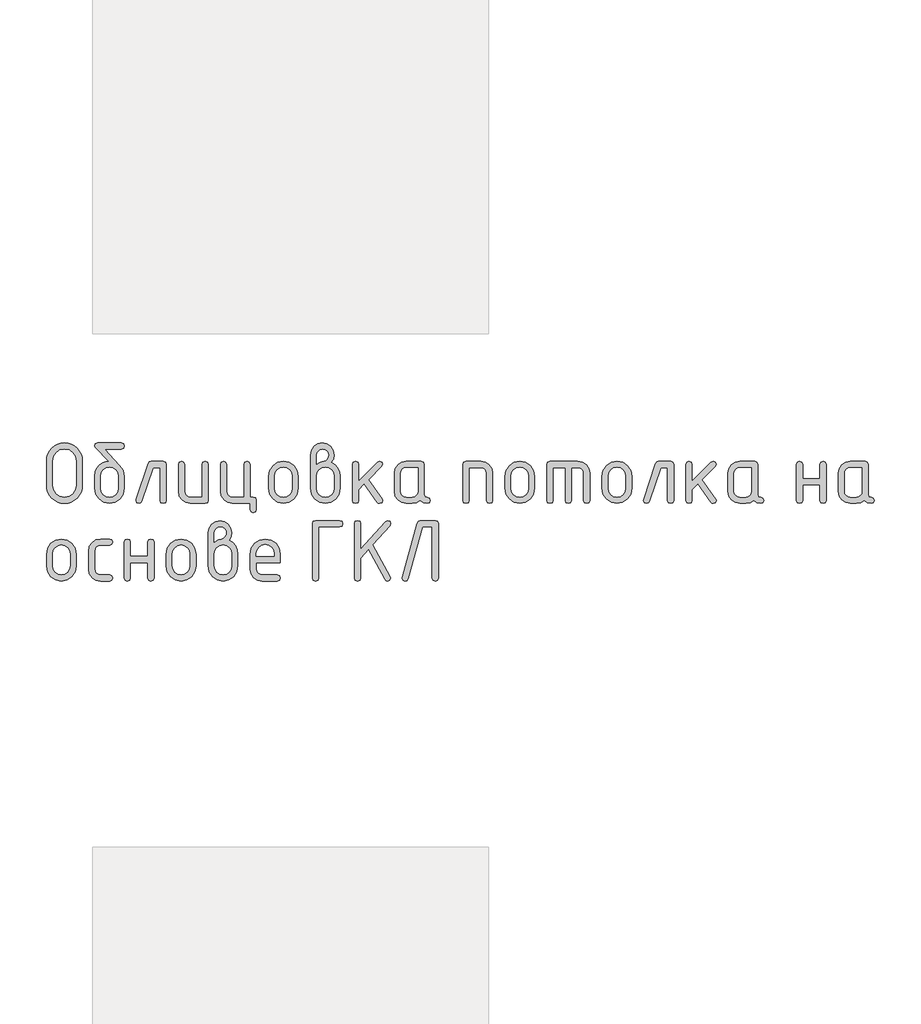
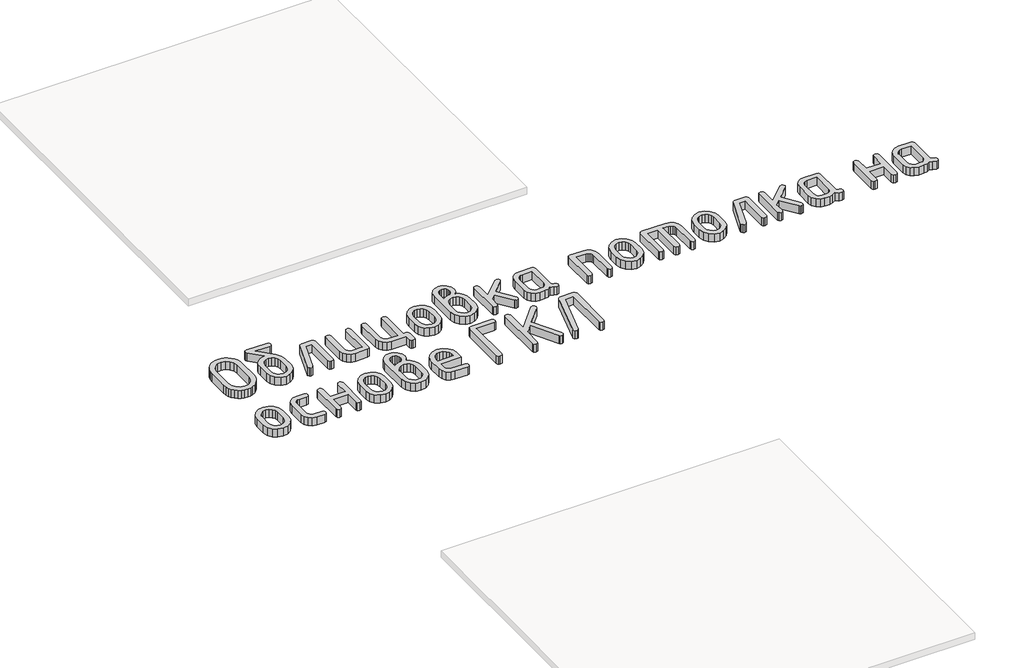
# One storey, part 26 of 33: 1 proxy.
"""IFC4 building model written with IfcOpenShell, lengths in millimetres."""

from ifc_helpers import new_model, si_unit, origin, origin_with_axes, place, context, project, spatial, polyline, outline, extrude, element, save

model = new_model("IFC4")

# Units and contexts
model_context = context("Model", 3, world=origin())
ifc_project = project(units=[si_unit("LENGTHUNIT", "METRE", prefix="MILLI")], contexts=[model_context])

# Site, building, storey
site = spatial("IfcSite", under=ifc_project)
building = spatial("IfcBuilding", under=site)
storey = spatial("IfcBuildingStorey", under=building, Elevation=0.0)

# Proxy
placement = place(None, origin())
element("IfcBuildingElementProxy", 1, Name="Generic Models", at=placement, inside=storey, context=model_context, shape_type="SweptSolid", body=[
    extrude(outline(polyline([(14447.5187326, 7642.3132523), (14445.8643368, 7624.0795908), (14440.9011492, 7607.2279551), (14432.62917, 7591.7583452), (14421.0483991, 7577.6707611), (14407.1272634, 7565.9487613), (14391.8341896, 7557.5759043), (14375.1691779, 7552.5521901), (14357.1322281, 7550.8776187), (14339.0952783, 7552.5521901), (14322.4302665, 7557.5759043), (14307.1371928, 7565.9487613), (14293.216057, 7577.6707611), (14281.6352861, 7591.7583452), (14273.3633069, 7607.2279551), (14268.4001194, 7624.0795908), (14266.7457235, 7642.3132523), (14266.7457235, 7764.173629), (14268.4001194, 7782.4072905), (14273.3633069, 7799.2589262), (14281.6352861, 7814.7285361), (14293.216057, 7828.8161202), (14307.1371928, 7840.53812), (14322.4302665, 7848.910977), (14339.0952783, 7853.9346912), (14357.1322281, 7855.6092626), (14375.2675337, 7853.942257), (14391.9855063, 7848.9412403), (14407.2861459, 7840.6062125), (14421.1694525, 7828.9371735), (14432.6972625, 7814.8874186), (14440.9314126, 7799.4102428), (14445.8719026, 7782.5056463), (14447.5187326, 7764.173629), (14447.5187326, 7642.3132523)]), holes=[polyline([(14416.5290739, 7642.555359), (14416.5290739, 7763.9315223), (14412.2215921, 7787.4562241), (14399.2991465, 7807.0265164), (14380.1424532, 7820.221332), (14357.1322281, 7824.6196039), (14334.122003, 7820.221332), (14314.9653097, 7807.0265164), (14302.0428641, 7787.4562241), (14297.7353822, 7763.9315223), (14297.7353822, 7642.555359), (14302.0428641, 7619.0306572), (14314.9653097, 7599.4603649), (14334.122003, 7586.2655493), (14357.1322281, 7581.8672774), (14380.1424532, 7586.2655493), (14399.2991465, 7599.4603649), (14412.2215921, 7619.0306572), (14416.5290739, 7642.555359)])]), origin_with_axes(), (0.0, 0.0, 1.0), 50.0),
    extrude(outline(polyline([(14659.2814004, 7687.7486113), (14659.2814004, 7626.8991252), (14653.8037361, 7597.6748279), (14637.3707433, 7573.1110848), (14613.1701602, 7556.4359852), (14584.3897252, 7550.8776187), (14555.6092902, 7556.446073), (14531.4087071, 7573.1514359), (14514.9757143, 7597.7656179), (14509.49805, 7627.0605297), (14509.49805, 7687.990718), (14512.0906094, 7709.4222056), (14519.8682874, 7727.797096), (14532.8310841, 7743.1153892), (14550.9789994, 7755.3770852), (14566.6957599, 7761.974493), (14581.242338, 7764.173629), (14514.6629931, 7831.156485), (14509.49805, 7840.1144332), (14513.2305284, 7851.7355552), (14524.4279637, 7855.6092626), (14644.3514867, 7855.6092626), (14655.548922, 7851.7355552), (14659.2814004, 7840.1144332), (14655.548922, 7828.4933112), (14644.3514867, 7824.6196039), (14559.372032, 7824.6196039), (14634.7479206, 7744.2401766), (14653.1480304, 7716.9628208), (14659.2814004, 7687.7486113)]), holes=[polyline([(14628.2917417, 7627.3833386), (14628.2917417, 7687.990718), (14625.07374, 7705.422401), (14615.419735, 7720.110208), (14601.2262292, 7730.0971097), (14584.3897252, 7733.426077), (14567.5532212, 7730.0971097), (14553.3597154, 7720.110208), (14543.7057104, 7705.422401), (14540.4877087, 7687.990718), (14540.4877087, 7627.3833386), (14543.675447, 7609.7902511), (14553.238662, 7595.1024441), (14567.4019045, 7585.1760691), (14584.3897252, 7581.8672774), (14601.2262292, 7585.1962446), (14615.419735, 7595.1831464), (14625.07374, 7609.8911289), (14628.2917417, 7627.3833386)])]), origin_with_axes(), (0.0, 0.0, 1.0), 50.0),
    extrude(outline(polyline([(14794.6190505, 7762.6402865), (14855.5492388, 7762.6402865), (14867.1703608, 7758.8674569), (14871.0440682, 7747.5489683), (14871.0440682, 7565.9689369), (14867.1703608, 7554.6504482), (14855.5492388, 7550.8776187), (14843.9281168, 7554.6504482), (14840.0544095, 7565.9689369), (14840.0544095, 7731.6506278), (14805.4331501, 7731.6506278), (14748.2959669, 7561.1268027), (14742.9897949, 7553.4399147), (14734.0116711, 7550.8776187), (14722.6326558, 7554.7109749), (14718.8396507, 7566.2110436), (14719.5659708, 7570.811071), (14779.4470301, 7750.2928443), (14785.3382933, 7759.5534259), (14794.6190505, 7762.6402865)])), origin_with_axes(), (0.0, 0.0, 1.0), 50.0),
    extrude(outline(polyline([(15082.8067359, 7747.5489683), (15082.8067359, 7565.9689369), (15079.054082, 7554.6504482), (15067.79612, 7550.8776187), (14992.9044448, 7550.8776187), (14969.6823764, 7555.255715), (14950.3743663, 7568.390004), (14937.3611308, 7587.8997696), (14933.0233856, 7611.4042958), (14933.0233856, 7747.5489683), (14936.8970929, 7758.8674569), (14948.5182149, 7762.6402865), (14960.1393369, 7758.8674569), (14964.0130443, 7747.5489683), (14964.0130443, 7611.9692115), (14966.1718291, 7600.5397573), (14972.6481835, 7590.7848745), (14982.1306963, 7584.0966767), (14993.307956, 7581.8672774), (15051.8170772, 7581.8672774), (15051.8170772, 7747.5489683), (15055.6907846, 7758.8674569), (15067.3119066, 7762.6402865), (15078.9330286, 7758.8674569), (15082.8067359, 7747.5489683)])), origin_with_axes(), (0.0, 0.0, 1.0), 50.0),
    extrude(outline(polyline([(15310.0642331, 7581.8672774), (15321.6853551, 7577.9935701), (15325.5590624, 7566.3724481), (15325.5590624, 7519.88796), (15321.6853551, 7508.266838), (15310.0642331, 7504.3931307), (15298.4431111, 7508.266838), (15294.5694037, 7519.88796), (15294.5694037, 7550.8776187), (15204.6671126, 7550.8776187), (15181.4450441, 7555.2859784), (15162.1370341, 7568.5110573), (15149.1237985, 7588.0510862), (15144.7860533, 7611.4042958), (15144.7860533, 7747.5489683), (15148.6597607, 7758.8674569), (15160.2808827, 7762.6402865), (15171.9020047, 7758.8674569), (15175.775712, 7747.5489683), (15175.775712, 7611.9692115), (15177.9344969, 7600.5397573), (15184.4108513, 7590.7848745), (15193.8933641, 7584.0966767), (15205.0706238, 7581.8672774), (15263.579745, 7581.8672774), (15263.579745, 7747.5489683), (15267.4534524, 7758.8674569), (15279.0745744, 7762.6402865), (15290.6956964, 7758.8674569), (15294.5694037, 7747.5489683), (15294.5694037, 7581.8672774), (15310.0642331, 7581.8672774)])), origin_with_axes(), (0.0, 0.0, 1.0), 50.0),
    extrude(outline(polyline([(15387.5383798, 7626.495614), (15387.5383798, 7687.0222912), (15393.0160441, 7716.0952718), (15409.4490369, 7740.5278738), (15433.64962, 7757.1121833), (15462.430055, 7762.6402865), (15491.5131234, 7757.17271), (15515.6531798, 7740.7699805), (15531.9045926, 7716.3979051), (15537.3217302, 7687.0222912), (15537.3217302, 7626.495614), (15531.8440659, 7597.4226334), (15515.4110731, 7572.9900314), (15491.21049, 7556.4057219), (15462.430055, 7550.8776187), (15433.64962, 7556.4057219), (15409.4490369, 7572.9900314), (15393.0160441, 7597.4226334), (15387.5383798, 7626.495614)]), holes=[polyline([(15506.3320715, 7627.3833386), (15506.3320715, 7687.990718), (15503.1140698, 7705.422401), (15493.4600648, 7720.110208), (15479.266559, 7730.0971097), (15462.430055, 7733.426077), (15445.593551, 7730.0971097), (15431.4000452, 7720.110208), (15421.7460402, 7705.422401), (15418.5280385, 7687.990718), (15418.5280385, 7627.3833386), (15421.7157768, 7609.7902511), (15431.2789918, 7595.1024441), (15445.4422343, 7585.1760691), (15462.430055, 7581.8672774), (15479.266559, 7585.1962446), (15493.4600648, 7595.1831464), (15503.1140698, 7609.8911289), (15506.3320715, 7627.3833386)])]), origin_with_axes(), (0.0, 0.0, 1.0), 50.0),
    extrude(outline(polyline([(15704.1332524, 7757.9595568), (15722.6645034, 7746.5704537), (15736.9387114, 7729.9962319), (15746.0479763, 7709.9114629), (15749.084398, 7687.990718), (15749.084398, 7627.0605297), (15743.6067337, 7597.6143012), (15727.1737408, 7573.0303825), (15702.9731578, 7556.4158097), (15674.1927228, 7550.8776187), (15645.2609711, 7556.446073), (15621.0906514, 7573.1514359), (15604.7484485, 7597.7656179), (15599.3010476, 7627.0605297), (15599.3010476, 7794.6790742), (15603.628705, 7818.2844783), (15616.6116773, 7837.9354728), (15635.7885461, 7851.1908151), (15658.6978934, 7855.6092626), (15681.7081185, 7851.1605518), (15700.8648118, 7837.8144195), (15713.7872574, 7818.1331616), (15718.0947393, 7794.6790742), (15714.6043676, 7773.9587751), (15704.1332524, 7757.9595568)]), holes=[polyline([(15718.0947393, 7627.3833386), (15718.0947393, 7687.990718), (15714.9070009, 7705.422401), (15705.343786, 7720.110208), (15691.1805435, 7730.0971097), (15674.1927228, 7733.426077), (15657.2049021, 7730.0971097), (15643.0416596, 7720.110208), (15633.4784446, 7705.422401), (15630.2907063, 7687.990718), (15630.2907063, 7627.3833386), (15633.4784446, 7609.7902511), (15643.0416596, 7595.1024441), (15657.2049021, 7585.1760691), (15674.1927228, 7581.8672774), (15691.1805435, 7585.1962446), (15705.343786, 7595.1831464), (15714.9070009, 7609.8911289), (15718.0947393, 7627.3833386)]), polyline([(15630.2907063, 7747.8717773), (15648.7715184, 7759.1902659), (15665.6382857, 7762.9630954), (15674.7172873, 7765.6060937), (15683.0699688, 7773.5350884), (15688.9410564, 7783.4009367), (15690.8980857, 7793.3071362), (15688.7191253, 7805.1098383), (15682.1822442, 7814.8546333), (15672.4172736, 7821.3915144), (15660.5540449, 7823.5704748), (15648.9026595, 7821.3612511), (15639.1276012, 7814.7335799), (15632.49993, 7804.9585216), (15630.2907063, 7793.3071362), (15630.2907063, 7747.8717773)])]), origin_with_axes(), (0.0, 0.0, 1.0), 50.0),
    extrude(outline(polyline([(15842.0533741, 7663.2151315), (15937.2820128, 7758.2823657), (15948.0961124, 7762.6402865), (15959.4751277, 7758.8674569), (15963.2681328, 7747.5489683), (15958.6681054, 7736.9769754), (15892.0887605, 7670.4783327), (15960.2821501, 7574.6847784), (15963.2681328, 7565.8075324), (15959.4751277, 7554.6100971), (15948.0961124, 7550.8776187), (15940.9539645, 7552.4916634), (15935.5065636, 7557.3337976), (15870.2991567, 7648.9308357), (15842.0533741, 7620.685053), (15842.0533741, 7566.0496391), (15838.1796667, 7554.6706238), (15826.5585447, 7550.8776187), (15814.9374227, 7554.6504482), (15811.0637154, 7565.9689369), (15811.0637154, 7747.5489683), (15814.9374227, 7758.8674569), (15826.5585447, 7762.6402865), (15838.1796667, 7758.8674569), (15842.0533741, 7747.5489683), (15842.0533741, 7663.2151315)])), origin_with_axes(), (0.0, 0.0, 1.0), 50.0),
    extrude(outline(polyline([(16202.8730721, 7565.9689369), (16199.1002426, 7554.6504482), (16187.7817539, 7550.8776187), (16168.6351484, 7554.892555), (16153.3218991, 7566.9373637), (16134.9016137, 7554.892555), (16112.7286743, 7550.8776187), (16082.7074424, 7550.8776187), (16059.4853739, 7555.255715), (16040.1773639, 7568.390004), (16027.1641283, 7587.8997696), (16022.8263831, 7611.4042958), (16022.8263831, 7702.1136093), (16027.1641283, 7725.6181356), (16040.1773639, 7745.1279012), (16059.4853739, 7758.2621902), (16082.7074424, 7762.6402865), (16157.5991176, 7762.6402865), (16168.8570795, 7758.8674569), (16172.6097335, 7747.5489683), (16172.6097335, 7596.2322754), (16176.3926508, 7584.9137868), (16187.7414028, 7581.1409573), (16199.0901548, 7577.3479522), (16202.8730721, 7565.9689369)]), holes=[polyline([(16141.6200748, 7731.6506278), (16083.1109536, 7731.6506278), (16071.8328161, 7729.4615796), (16062.3704789, 7722.8944352), (16055.9546511, 7713.2202546), (16053.8160418, 7701.7100982), (16053.8160418, 7611.807807), (16055.9748267, 7600.3985284), (16062.4511811, 7590.7041723), (16071.9336939, 7584.0765011), (16083.1109536, 7581.8672774), (16112.3251631, 7581.8672774), (16123.6033006, 7584.0563256), (16133.0656378, 7590.62347), (16139.4814656, 7600.2976506), (16141.6200748, 7611.807807), (16141.6200748, 7731.6506278)])]), origin_with_axes(), (0.0, 0.0, 1.0), 50.0),
    extrude(outline(polyline([(16368.877572, 7565.9689369), (16368.877572, 7747.5489683), (16372.6302259, 7758.8674569), (16383.8881879, 7762.6402865), (16458.7798631, 7762.6402865), (16481.8506148, 7758.2319268), (16501.1888882, 7745.0068479), (16514.2929138, 7725.4668189), (16518.6609223, 7702.1136093), (16518.6609223, 7565.9689369), (16514.787215, 7554.6504482), (16503.166093, 7550.8776187), (16491.544971, 7554.6504482), (16487.6712636, 7565.9689369), (16487.6712636, 7701.5486937), (16485.5629177, 7713.2807813), (16479.23788, 7722.9751374), (16469.8058061, 7729.4817552), (16458.3763519, 7731.6506278), (16399.8672307, 7731.6506278), (16399.8672307, 7565.9689369), (16395.9935233, 7554.6504482), (16384.3724013, 7550.8776187), (16372.7512793, 7554.6504482), (16368.877572, 7565.9689369)])), origin_with_axes(), (0.0, 0.0, 1.0), 50.0),
    extrude(outline(polyline([(16580.6402397, 7626.495614), (16580.6402397, 7687.0222912), (16586.117904, 7716.0952718), (16602.5508969, 7740.5278738), (16626.7514799, 7757.1121833), (16655.5319149, 7762.6402865), (16684.6149833, 7757.17271), (16708.7550397, 7740.7699805), (16725.0064525, 7716.3979051), (16730.4235901, 7687.0222912), (16730.4235901, 7626.495614), (16724.9459258, 7597.4226334), (16708.512933, 7572.9900314), (16684.3123499, 7556.4057219), (16655.5319149, 7550.8776187), (16626.7514799, 7556.4057219), (16602.5508969, 7572.9900314), (16586.117904, 7597.4226334), (16580.6402397, 7626.495614)]), holes=[polyline([(16699.4339314, 7627.3833386), (16699.4339314, 7687.990718), (16696.2159297, 7705.422401), (16686.5619247, 7720.110208), (16672.3684189, 7730.0971097), (16655.5319149, 7733.426077), (16638.6954109, 7730.0971097), (16624.5019051, 7720.110208), (16614.8479001, 7705.422401), (16611.6298984, 7687.990718), (16611.6298984, 7627.3833386), (16614.8176368, 7609.7902511), (16624.3808517, 7595.1024441), (16638.5440942, 7585.1760691), (16655.5319149, 7581.8672774), (16672.3684189, 7585.1962446), (16686.5619247, 7595.1831464), (16696.2159297, 7609.8911289), (16699.4339314, 7627.3833386)])]), origin_with_axes(), (0.0, 0.0, 1.0), 50.0),
    extrude(outline(polyline([(16807.8977369, 7762.6402865), (16947.351201, 7762.6402865), (16971.2390629, 7758.2319268), (16991.2532175, 7745.0068479), (17004.8111932, 7725.4668189), (17009.3305184, 7702.1136093), (17009.3305184, 7565.9689369), (17005.4568111, 7554.6504482), (16993.8356891, 7550.8776187), (16982.214567, 7554.6504482), (16978.3408597, 7565.9689369), (16978.3408597, 7701.5486937), (16976.1114604, 7713.2807813), (16969.4232626, 7722.9751374), (16959.4464487, 7729.4817552), (16947.351201, 7731.6506278), (16916.3615423, 7731.6506278), (16916.3615423, 7565.9689369), (16912.487835, 7554.6504482), (16900.866713, 7550.8776187), (16889.2455909, 7554.6504482), (16885.3718836, 7565.9689369), (16885.3718836, 7731.6506278), (16823.3925662, 7731.6506278), (16823.3925662, 7565.9689369), (16819.5188589, 7554.6504482), (16807.8977369, 7550.8776187), (16796.2766148, 7554.6504482), (16792.4029075, 7565.9689369), (16792.4029075, 7747.5489683), (16796.2766148, 7758.8674569), (16807.8977369, 7762.6402865)])), origin_with_axes(), (0.0, 0.0, 1.0), 50.0),
    extrude(outline(polyline([(17071.3098358, 7626.495614), (17071.3098358, 7687.0222912), (17076.7875001, 7716.0952718), (17093.2204929, 7740.5278738), (17117.421076, 7757.1121833), (17146.201511, 7762.6402865), (17175.2845794, 7757.17271), (17199.4246358, 7740.7699805), (17215.6760486, 7716.3979051), (17221.0931862, 7687.0222912), (17221.0931862, 7626.495614), (17215.6155219, 7597.4226334), (17199.182529, 7572.9900314), (17174.981946, 7556.4057219), (17146.201511, 7550.8776187), (17117.421076, 7556.4057219), (17093.2204929, 7572.9900314), (17076.7875001, 7597.4226334), (17071.3098358, 7626.495614)]), holes=[polyline([(17190.1035275, 7627.3833386), (17190.1035275, 7687.990718), (17186.8855258, 7705.422401), (17177.2315208, 7720.110208), (17163.038015, 7730.0971097), (17146.201511, 7733.426077), (17129.365007, 7730.0971097), (17115.1715012, 7720.110208), (17105.5174962, 7705.422401), (17102.2994945, 7687.990718), (17102.2994945, 7627.3833386), (17105.4872328, 7609.7902511), (17115.0504478, 7595.1024441), (17129.2136903, 7585.1760691), (17146.201511, 7581.8672774), (17163.038015, 7585.1962446), (17177.2315208, 7595.1831464), (17186.8855258, 7609.8911289), (17190.1035275, 7627.3833386)])]), origin_with_axes(), (0.0, 0.0, 1.0), 50.0),
    extrude(outline(polyline([(17356.4308363, 7762.6402865), (17417.3610246, 7762.6402865), (17428.9821466, 7758.8674569), (17432.855854, 7747.5489683), (17432.855854, 7565.9689369), (17428.9821466, 7554.6504482), (17417.3610246, 7550.8776187), (17405.7399026, 7554.6504482), (17401.8661953, 7565.9689369), (17401.8661953, 7731.6506278), (17367.2449359, 7731.6506278), (17310.1077527, 7561.1268027), (17304.8015807, 7553.4399147), (17295.8234569, 7550.8776187), (17284.4444416, 7554.7109749), (17280.6514365, 7566.2110436), (17281.3777566, 7570.811071), (17341.2588159, 7750.2928443), (17347.1500791, 7759.5534259), (17356.4308363, 7762.6402865)])), origin_with_axes(), (0.0, 0.0, 1.0), 50.0),
    extrude(outline(polyline([(17525.82483, 7663.2151315), (17621.0534688, 7758.2823657), (17631.8675684, 7762.6402865), (17643.2465837, 7758.8674569), (17647.0395888, 7747.5489683), (17642.4395614, 7736.9769754), (17575.8602165, 7670.4783327), (17644.0536061, 7574.6847784), (17647.0395888, 7565.8075324), (17643.2465837, 7554.6100971), (17631.8675684, 7550.8776187), (17624.7254205, 7552.4916634), (17619.2780196, 7557.3337976), (17554.0706127, 7648.9308357), (17525.82483, 7620.685053), (17525.82483, 7566.0496391), (17521.9511227, 7554.6706238), (17510.3300007, 7550.8776187), (17498.7088787, 7554.6504482), (17494.8351714, 7565.9689369), (17494.8351714, 7747.5489683), (17498.7088787, 7758.8674569), (17510.3300007, 7762.6402865), (17521.9511227, 7758.8674569), (17525.82483, 7747.5489683), (17525.82483, 7663.2151315)])), origin_with_axes(), (0.0, 0.0, 1.0), 50.0),
    extrude(outline(polyline([(17886.6445281, 7565.9689369), (17882.8716985, 7554.6504482), (17871.5532099, 7550.8776187), (17852.4066044, 7554.892555), (17837.0933551, 7566.9373637), (17818.6730696, 7554.892555), (17796.5001302, 7550.8776187), (17766.4788984, 7550.8776187), (17743.2568299, 7555.255715), (17723.9488199, 7568.390004), (17710.9355843, 7587.8997696), (17706.5978391, 7611.4042958), (17706.5978391, 7702.1136093), (17710.9355843, 7725.6181356), (17723.9488199, 7745.1279012), (17743.2568299, 7758.2621902), (17766.4788984, 7762.6402865), (17841.3705736, 7762.6402865), (17852.6285355, 7758.8674569), (17856.3811895, 7747.5489683), (17856.3811895, 7596.2322754), (17860.1641068, 7584.9137868), (17871.5128588, 7581.1409573), (17882.8616108, 7577.3479522), (17886.6445281, 7565.9689369)]), holes=[polyline([(17825.3915308, 7731.6506278), (17766.8824096, 7731.6506278), (17755.6042721, 7729.4615796), (17746.1419349, 7722.8944352), (17739.7261071, 7713.2202546), (17737.5874978, 7701.7100982), (17737.5874978, 7611.807807), (17739.7462826, 7600.3985284), (17746.2226371, 7590.7041723), (17755.7051499, 7584.0765011), (17766.8824096, 7581.8672774), (17796.0966191, 7581.8672774), (17807.3747566, 7584.0563256), (17816.8370938, 7590.62347), (17823.2529215, 7600.2976506), (17825.3915308, 7611.807807), (17825.3915308, 7731.6506278)])]), origin_with_axes(), (0.0, 0.0, 1.0), 50.0),
    extrude(outline(polyline([(18083.6386866, 7643.8465948), (18083.6386866, 7566.3724481), (18079.7649793, 7554.751326), (18068.1438573, 7550.8776187), (18056.5227353, 7554.6504482), (18052.6490279, 7565.9689369), (18052.6490279, 7747.5489683), (18056.5227353, 7758.8674569), (18068.1438573, 7762.6402865), (18079.7649793, 7758.9885103), (18083.6386866, 7748.0331817), (18083.6386866, 7674.8362535), (18171.4427196, 7674.8362535), (18171.4427196, 7748.0331817), (18175.3164269, 7758.9885103), (18186.937549, 7762.6402865), (18198.558671, 7758.8674569), (18202.4323783, 7747.5489683), (18202.4323783, 7565.9689369), (18198.558671, 7554.6504482), (18186.937549, 7550.8776187), (18175.3164269, 7554.751326), (18171.4427196, 7566.3724481), (18171.4427196, 7643.8465948), (18083.6386866, 7643.8465948)])), origin_with_axes(), (0.0, 0.0, 1.0), 50.0),
    extrude(outline(polyline([(18444.4583847, 7565.9689369), (18440.6855551, 7554.6504482), (18429.3670665, 7550.8776187), (18410.220461, 7554.892555), (18394.9072116, 7566.9373637), (18376.4869262, 7554.892555), (18354.3139868, 7550.8776187), (18324.292755, 7550.8776187), (18301.0706865, 7555.255715), (18281.7626765, 7568.390004), (18268.7494409, 7587.8997696), (18264.4116957, 7611.4042958), (18264.4116957, 7702.1136093), (18268.7494409, 7725.6181356), (18281.7626765, 7745.1279012), (18301.0706865, 7758.2621902), (18324.292755, 7762.6402865), (18399.1844302, 7762.6402865), (18410.4423921, 7758.8674569), (18414.1950461, 7747.5489683), (18414.1950461, 7596.2322754), (18417.9779634, 7584.9137868), (18429.3267154, 7581.1409573), (18440.6754673, 7577.3479522), (18444.4583847, 7565.9689369)]), holes=[polyline([(18383.2053874, 7731.6506278), (18324.6962661, 7731.6506278), (18313.4181286, 7729.4615796), (18303.9557914, 7722.8944352), (18297.5399637, 7713.2202546), (18295.4013544, 7701.7100982), (18295.4013544, 7611.807807), (18297.5601392, 7600.3985284), (18304.0364937, 7590.7041723), (18313.5190064, 7584.0765011), (18324.6962661, 7581.8672774), (18353.9104756, 7581.8672774), (18365.1886132, 7584.0563256), (18374.6509504, 7590.62347), (18381.0667781, 7600.2976506), (18383.2053874, 7611.807807), (18383.2053874, 7731.6506278)])]), origin_with_axes(), (0.0, 0.0, 1.0), 50.0),
    extrude(outline(polyline([(14266.7457235, 7234.4471228), (14266.7457235, 7294.9738), (14272.2233878, 7324.0467806), (14288.6563807, 7348.4793826), (14312.8569637, 7365.0636921), (14341.6373987, 7370.5917953), (14370.7204671, 7365.1242188), (14394.8605235, 7348.7214893), (14411.1119363, 7324.349414), (14416.5290739, 7294.9738), (14416.5290739, 7234.4471228), (14411.0514096, 7205.3741422), (14394.6184168, 7180.9415402), (14370.4178337, 7164.3572307), (14341.6373987, 7158.8291275), (14312.8569637, 7164.3572307), (14288.6563807, 7180.9415402), (14272.2233878, 7205.3741422), (14266.7457235, 7234.4471228)]), holes=[polyline([(14385.5394152, 7235.3348474), (14385.5394152, 7295.9422268), (14382.3214135, 7313.3739098), (14372.6674085, 7328.0617168), (14358.4739028, 7338.0486185), (14341.6373987, 7341.3775858), (14324.8008947, 7338.0486185), (14310.6073889, 7328.0617168), (14300.9533839, 7313.3739098), (14297.7353822, 7295.9422268), (14297.7353822, 7235.3348474), (14300.9231206, 7217.7417599), (14310.4863356, 7203.053953), (14324.649578, 7193.1275779), (14341.6373987, 7189.8187862), (14358.4739028, 7193.1477535), (14372.6674085, 7203.1346552), (14382.3214135, 7217.8426377), (14385.5394152, 7235.3348474)])]), origin_with_axes(), (0.0, 0.0, 1.0), 50.0),
    extrude(outline(polyline([(14509.49805, 7309.661607), (14509.49805, 7219.7593158), (14511.7375371, 7208.3500372), (14518.4559982, 7198.6556811), (14528.2613199, 7192.0280099), (14539.7613886, 7189.8187862), (14585.2774498, 7189.8187862), (14596.5959384, 7185.9450789), (14600.368768, 7174.3239569), (14596.5959384, 7162.7028349), (14585.2774498, 7158.8291275), (14539.7613886, 7158.8291275), (14516.2165112, 7163.2072238), (14496.4242878, 7176.3415128), (14482.9873654, 7195.8512784), (14478.5083913, 7219.3558047), (14478.5083913, 7310.0651181), (14482.9873654, 7333.5696444), (14496.4242878, 7353.07941), (14516.2165112, 7366.213699), (14539.7613886, 7370.5917953), (14585.2774498, 7370.5917953), (14596.5959384, 7366.718088), (14600.368768, 7355.0969659), (14596.5959384, 7343.4758439), (14585.2774498, 7339.6021366), (14539.7613886, 7339.6021366), (14528.1100032, 7337.4130884), (14518.3349449, 7330.845944), (14511.7072737, 7321.1717634), (14509.49805, 7309.661607)])), origin_with_axes(), (0.0, 0.0, 1.0), 50.0),
    extrude(outline(polyline([(14690.2710591, 7251.7981036), (14690.2710591, 7174.3239569), (14686.3973518, 7162.7028349), (14674.7762297, 7158.8291275), (14663.1551077, 7162.6019571), (14659.2814004, 7173.9204457), (14659.2814004, 7355.5004771), (14663.1551077, 7366.8189658), (14674.7762297, 7370.5917953), (14686.3973518, 7366.9400191), (14690.2710591, 7355.9846905), (14690.2710591, 7282.7877623), (14778.0750921, 7282.7877623), (14778.0750921, 7355.9846905), (14781.9487994, 7366.9400191), (14793.5699214, 7370.5917953), (14805.1910434, 7366.8189658), (14809.0647508, 7355.5004771), (14809.0647508, 7173.9204457), (14805.1910434, 7162.6019571), (14793.5699214, 7158.8291275), (14781.9487994, 7162.7028349), (14778.0750921, 7174.3239569), (14778.0750921, 7251.7981036), (14690.2710591, 7251.7981036)])), origin_with_axes(), (0.0, 0.0, 1.0), 50.0),
    extrude(outline(polyline([(14871.0440682, 7234.4471228), (14871.0440682, 7294.9738), (14876.5217325, 7324.0467806), (14892.9547253, 7348.4793826), (14917.1553084, 7365.0636921), (14945.9357434, 7370.5917953), (14975.0188117, 7365.1242188), (14999.1588681, 7348.7214893), (15015.4102809, 7324.349414), (15020.8274185, 7294.9738), (15020.8274185, 7234.4471228), (15015.3497543, 7205.3741422), (14998.9167614, 7180.9415402), (14974.7161783, 7164.3572307), (14945.9357434, 7158.8291275), (14917.1553084, 7164.3572307), (14892.9547253, 7180.9415402), (14876.5217325, 7205.3741422), (14871.0440682, 7234.4471228)]), holes=[polyline([(14989.8377598, 7235.3348474), (14989.8377598, 7295.9422268), (14986.6197582, 7313.3739098), (14976.9657532, 7328.0617168), (14962.7722474, 7338.0486185), (14945.9357434, 7341.3775858), (14929.0992393, 7338.0486185), (14914.9057335, 7328.0617168), (14905.2517285, 7313.3739098), (14902.0337269, 7295.9422268), (14902.0337269, 7235.3348474), (14905.2214652, 7217.7417599), (14914.7846802, 7203.053953), (14928.9479226, 7193.1275779), (14945.9357434, 7189.8187862), (14962.7722474, 7193.1477535), (14976.9657532, 7203.1346552), (14986.6197582, 7217.8426377), (14989.8377598, 7235.3348474)])]), origin_with_axes(), (0.0, 0.0, 1.0), 50.0),
    extrude(outline(polyline([(15187.6389408, 7365.9110656), (15206.1701917, 7354.5219625), (15220.4443998, 7337.9477408), (15229.5536647, 7317.8629717), (15232.5900863, 7295.9422268), (15232.5900863, 7235.0120385), (15227.112422, 7205.5658101), (15210.6794292, 7180.9818914), (15186.4788461, 7164.3673185), (15157.6984111, 7158.8291275), (15128.7666595, 7164.3975818), (15104.5963397, 7181.1029447), (15088.2541369, 7205.7171267), (15082.8067359, 7235.0120385), (15082.8067359, 7402.6305831), (15087.1343934, 7426.2359871), (15100.1173656, 7445.8869817), (15119.2942345, 7459.142324), (15142.2035818, 7463.5607714), (15165.2138069, 7459.1120606), (15184.3705002, 7445.7659283), (15197.2929458, 7426.0846705), (15201.6004276, 7402.6305831), (15198.1100559, 7381.9102839), (15187.6389408, 7365.9110656)]), holes=[polyline([(15113.7963946, 7355.8232861), (15132.2772067, 7367.1417747), (15149.1439741, 7370.9146042), (15158.2229757, 7373.5576025), (15166.5756571, 7381.4865972), (15172.4467448, 7391.3524456), (15174.403774, 7401.258645), (15172.2248136, 7413.0613471), (15165.6879325, 7422.8061421), (15155.9229619, 7429.3430232), (15144.0597332, 7431.5219836), (15132.4083479, 7429.3127599), (15122.6332895, 7422.6850888), (15116.0056184, 7412.9100304), (15113.7963946, 7401.258645), (15113.7963946, 7355.8232861)]), polyline([(15201.6004276, 7235.3348474), (15201.6004276, 7295.9422268), (15198.4126893, 7313.3739098), (15188.8494743, 7328.0617168), (15174.6862319, 7338.0486185), (15157.6984111, 7341.3775858), (15140.7105904, 7338.0486185), (15126.547348, 7328.0617168), (15116.984133, 7313.3739098), (15113.7963946, 7295.9422268), (15113.7963946, 7235.3348474), (15116.984133, 7217.7417599), (15126.547348, 7203.053953), (15140.7105904, 7193.1275779), (15157.6984111, 7189.8187862), (15174.6862319, 7193.1477535), (15188.8494743, 7203.1346552), (15198.4126893, 7217.8426377), (15201.6004276, 7235.3348474)])]), origin_with_axes(), (0.0, 0.0, 1.0), 50.0),
    extrude(outline(polyline([(15325.5590624, 7251.7981036), (15325.5590624, 7220.8084449), (15327.7985495, 7209.0158307), (15334.5170106, 7198.97849), (15344.3223323, 7192.1087122), (15355.822401, 7189.8187862), (15431.6018008, 7189.8187862), (15442.9808161, 7185.9450789), (15446.7738212, 7174.3239569), (15442.9808161, 7162.7028349), (15431.6018008, 7158.8291275), (15355.822401, 7158.8291275), (15332.2775236, 7163.2072238), (15312.4853002, 7176.3415128), (15299.0483778, 7195.8512784), (15294.5694037, 7219.3558047), (15294.5694037, 7294.9738), (15300.1882969, 7324.0467806), (15317.0449765, 7348.4793826), (15341.7701241, 7365.0636921), (15370.9944214, 7370.5917953), (15400.4406498, 7365.2250966), (15424.8631641, 7349.1250005), (15441.2961569, 7325.1967874), (15446.7738212, 7296.345738), (15446.7738212, 7251.7981036), (15325.5590624, 7251.7981036)]), holes=[polyline([(15370.9944214, 7343.3951417), (15353.5627384, 7340.0661745), (15338.8749314, 7330.0792727), (15328.8880297, 7315.3914657), (15325.5590624, 7297.9597827), (15325.5590624, 7282.7877623), (15416.4297804, 7282.7877623), (15416.4297804, 7297.9597827), (15413.1008131, 7315.3914657), (15403.1139114, 7330.0792727), (15388.4261044, 7340.0661745), (15370.9944214, 7343.3951417)])]), origin_with_axes(), (0.0, 0.0, 1.0), 50.0),
    extrude(outline(polyline([(15640.6205925, 7432.5711127), (15640.6205925, 7174.0011479), (15636.7468852, 7162.6221326), (15625.1257632, 7158.8291275), (15613.5046412, 7162.6423082), (15609.6309338, 7174.0818502), (15609.6309338, 7448.3080487), (15613.5046412, 7459.7475907), (15625.1257632, 7463.5607714), (15746.6633309, 7463.5607714), (15758.0423462, 7459.6870641), (15761.8353513, 7448.065942), (15758.0423462, 7436.44482), (15746.6633309, 7432.5711127), (15640.6205925, 7432.5711127)])), origin_with_axes(), (0.0, 0.0, 1.0), 50.0),
    extrude(outline(polyline([(15891.6045471, 7318.1353418), (15852.3832603, 7274.7175387), (15852.3832603, 7174.0818502), (15848.509553, 7162.6423082), (15836.888431, 7158.8291275), (15825.2673089, 7162.6423082), (15821.3936016, 7174.0818502), (15821.3936016, 7448.3080487), (15825.2673089, 7459.7475907), (15836.888431, 7463.5607714), (15848.509553, 7459.7475907), (15852.3832603, 7448.3080487), (15852.3832603, 7320.2335999), (15977.2296197, 7458.4765305), (15988.7700395, 7463.5607714), (16000.0885281, 7459.7475907), (16003.8613576, 7448.3080487), (15999.7455436, 7437.8974603), (15913.2327464, 7342.1039059), (16001.8438017, 7181.6678604), (16003.8613576, 7174.0818502), (15999.1806279, 7163.5502083), (15988.7700395, 7158.8291275), (15980.7805181, 7160.8466834), (15975.2120638, 7166.8993511), (15891.6045471, 7318.1353418)])), origin_with_axes(), (0.0, 0.0, 1.0), 50.0),
    extrude(outline(polyline([(16152.8376857, 7463.5607714), (16229.4241078, 7463.5607714), (16241.0452298, 7459.7475907), (16244.9189372, 7448.3080487), (16244.9189372, 7174.0818502), (16241.0452298, 7162.6423082), (16229.4241078, 7158.8291275), (16217.8029858, 7162.6221326), (16213.9292785, 7174.0011479), (16213.9292785, 7432.5711127), (16164.7816166, 7432.5711127), (16091.9881996, 7169.4011205), (16086.8837831, 7161.4721258), (16077.5424993, 7158.8291275), (16066.163484, 7162.6423082), (16062.3704789, 7174.0818502), (16063.5810124, 7179.5696022), (16137.6656653, 7448.3080487), (16143.5569285, 7459.7475907), (16152.8376857, 7463.5607714)])), origin_with_axes(), (0.0, 0.0, 1.0), 50.0),
])

save(model, "model.ifc")
